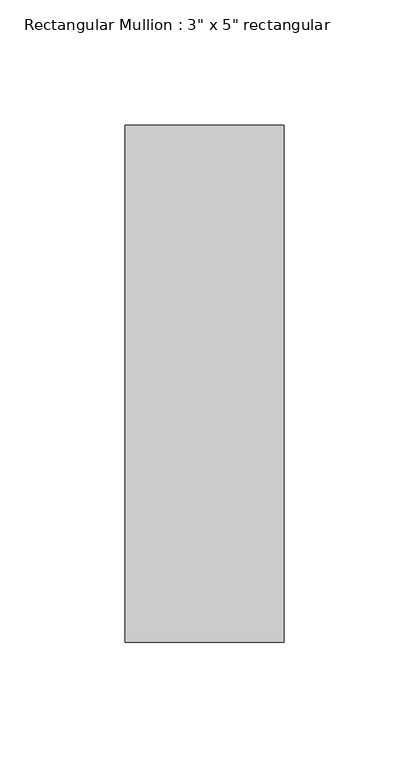
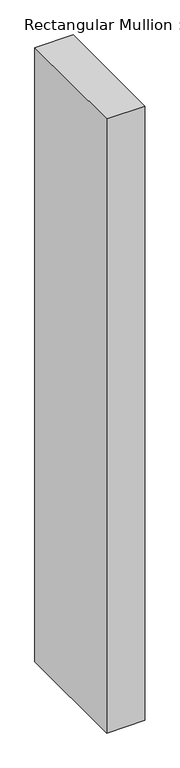
"""IFC4 building model written with IfcOpenShell, lengths in millimetres: member geometry."""

from ifc_helpers import new_model, si_unit, frame, origin, place, context, project, spatial, polyline, outline, extrude, source, transform, mapped, element, save


def member_8fbb21a2(model_context):
    return source(origin(), model_context, "Body", "SweptSolid", [
        extrude(outline(polyline([(0.0, 90.551), (0.0, -115.951), (-63.5, -115.951), (-63.5, 90.551), (0.0, 90.551)])), frame((0.0, 0.0, -1080.0), z_axis=(0.0, 0.0, 1.0), x_axis=(1.0, 0.0, 0.0)), (0.0, 0.0, 1.0), 1080.0),
    ])


if __name__ == "__main__":
    model = new_model("IFC4")
    model_context = context("Model", 3, world=origin())
    ifc_project = project(units=[si_unit("LENGTHUNIT", "METRE", prefix="MILLI")], contexts=[model_context])
    site = spatial("IfcSite", under=ifc_project)
    building = spatial("IfcBuilding", under=site)
    placement = place(None, origin())
    member_shape = member_8fbb21a2(model_context)
    element("IfcMember", 1, ObjectType="Rectangular Mullion : 3\" x 5\" rectangular", at=placement, inside=building, context=model_context, shape_type="MappedRepresentation", body=[
        mapped(member_shape, transform((0.0, 0.0, 0.0), x_axis=(1.0, 0.0, 0.0), y_axis=(0.0, 1.0, 0.0), z_axis=(0.0, 0.0, 1.0))),
    ])
    save(model, "model.ifc")
